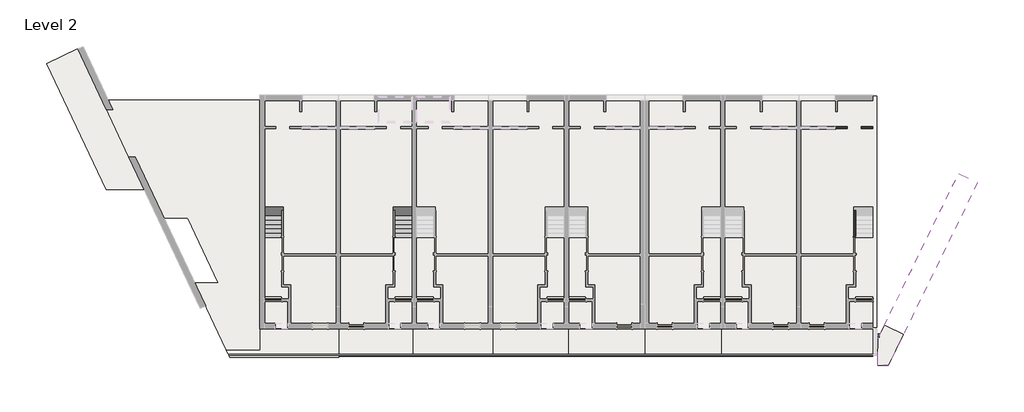
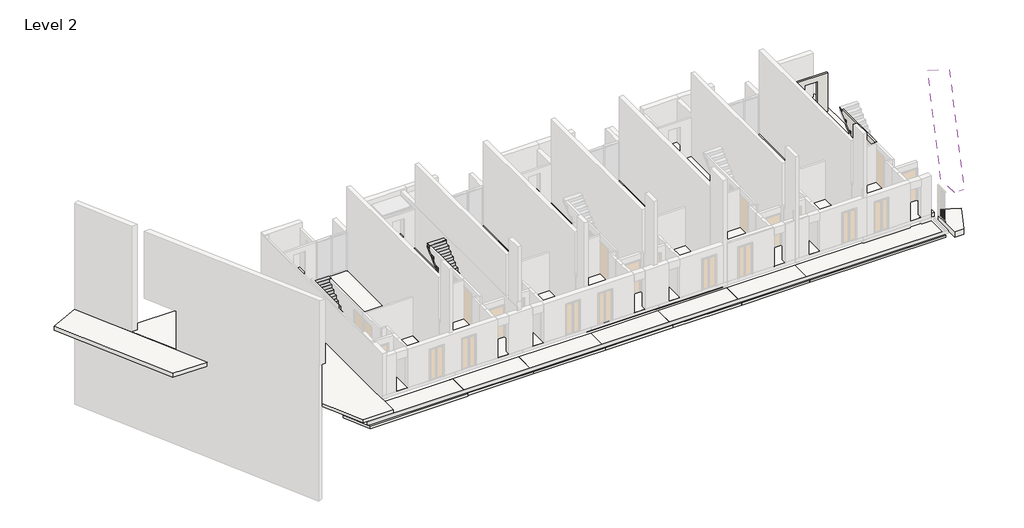
# One storey, part 5 of 7: 26 slabs, 2 stair flights, 2 walls, 1 covering.
"""IFC4 building model written with IfcOpenShell, lengths in millimetres."""

from ifc_helpers import new_model, si_unit, frame, origin, place, context, project, spatial, polyline, outline, extrude, faceted_brep, element, save

model = new_model("IFC4")

# Units and contexts
model_context = context("Model", 3, world=origin())
ifc_project = project(units=[si_unit("LENGTHUNIT", "METRE", prefix="MILLI")], contexts=[model_context])

# Site, building, storey
site = spatial("IfcSite", under=ifc_project)
building = spatial("IfcBuilding", under=site)
storey = spatial("IfcBuildingStorey", under=building, Name="Level 2", Elevation=5760.0)

# Covering
placement = place(None, origin())
element("IfcCovering", 1, ObjectType="Plain", at=placement, inside=storey, context=model_context, shape_type="SweptSolid", body=[
    extrude(outline(polyline([(14153.8795953, 2994.3275538), (15145.1452073, 2510.855011), (10456.1724165, -7102.9639151), (9913.7485729, -7102.9639151), (9913.7485729, -5699.2293704), (14153.8795953, 2994.3275538)])), frame((0.0, 0.0, 8160.0), z_axis=(0.0, 0.0, 1.0), x_axis=(1.0, 0.0, 0.0)), (0.0, 0.0, 1.0), 57.0),
])

# Slabs
element("IfcSlab", 2, at=placement, inside=storey, context=model_context, shape_type="Brep", body=[
    faceted_brep([(1853.3630729, -5112.9639151, 5530.0), (1643.3630729, -5112.9639151, 5530.0), (-2356.6369271, -5112.9639151, 5530.0), (-2356.6369271, -4901.9639151, 5530.0), (-2136.6369271, -4901.9639151, 5530.0), (-2136.6369271, 6832.0360849, 5530.0), (1643.3630729, 6832.0360849, 5530.0), (1853.3630729, 6832.0360849, 5530.0), (1853.3630729, -4037.9687773, 5530.0), (-2356.6369271, -5112.9639151, 5760.0), (-1689.4231771, -5112.9639151, 5760.0), (-899.4231771, -5112.9639151, 5760.0), (407.6913229, -5112.9639151, 5760.0), (1055.5768229, -5112.9639151, 5760.0), (1643.3630729, -5112.9639151, 5760.0), (1853.3630729, -5112.9639151, 5760.0), (1853.3630729, -4037.9687773, 5760.0), (1853.3630729, 6832.0360849, 5760.0), (1643.3630729, 6832.0360849, 5760.0), (-2136.6369271, 6832.0360849, 5760.0), (-2136.6369271, -4901.9639151, 5760.0), (-2356.6369271, -4901.9639151, 5760.0), (-2356.6369271, -5112.9639151, 5710.0)], [[[0, 1, 2, 3, 4, 5, 6, 7, 8]], [[9, 10, 11, 12, 13, 14, 15, 16, 17, 18, 19, 20, 21]], [[2, 1, 0, 15, 14, 13, 12, 11, 10, 9, 22]], [[17, 7, 6, 5, 19, 18]], [[2, 22, 9, 21, 3]], [[0, 8, 7, 17, 16, 15]], [[4, 20, 19, 5]], [[20, 4, 3, 21]]]),
])
element("IfcSlab", 3, at=placement, inside=storey, context=model_context, shape_type="Brep", body=[
    faceted_brep([(1661.1493229, -5137.9639151, 5209.32), (1661.1493229, -6639.9453535, 5209.32), (-2338.8506771, -6639.9453535, 5209.32), (-2338.8506771, -5137.9639151, 5209.32), (-2260.8659271, -5137.9639151, 5209.32), (1661.1493229, -6639.9453535, 5359.32), (1661.1493229, -5137.9639151, 5359.32), (-2338.8506771, -5137.9639151, 5359.32), (-2338.8506771, -6639.9453535, 5359.32)], [[[0, 1, 2, 3, 4]], [[5, 6, 7, 8]], [[6, 0, 4, 3, 7]], [[1, 5, 8, 2]], [[1, 0, 6, 5]], [[3, 2, 8, 7]]]),
])
element("IfcSlab", 4, at=placement, inside=storey, context=model_context, shape_type="SweptSolid", body=[
    extrude(outline(polyline([(-24348.5658167, -6295.7649151), (-26014.8223528, -2764.97272), (-24776.8414525, -2764.97272), (-26388.3472798, 649.8029008), (-27626.3281801, 649.8029008), (-29144.6094962, 3867.0360849), (-29476.3381294, 3867.0360849), (-30885.023627, 6852.0360849), (-29858.3264289, 6852.0360849), (-22605.8659271, 6852.0360849), (-22605.8659271, -6295.7649151), (-24348.5658167, -6295.7649151)])), frame((0.0, 0.0, 5390.0), z_axis=(0.0, 0.0, 1.0), x_axis=(1.0, 0.0, 0.0)), (0.0, 0.0, 1.0), 190.0),
])
element("IfcSlab", 5, at=placement, inside=storey, context=model_context, shape_type="SweptSolid", body=[
    extrude(outline(polyline([(407.6913229, -3746.9646691), (754.5768229, -3746.9646691), (754.5768229, -3494.4712147), (1639.8058229, -3494.4712147), (1639.8058229, -4901.9639151), (1055.5768229, -4901.9639151), (1055.5768229, -5191.9639151), (407.6913229, -5191.9639151), (407.6913229, -4901.9639151), (407.6913229, -3746.9646691)])), frame((0.0, 0.0, 5760.0), z_axis=(0.0, 0.0, 1.0), x_axis=(1.0, 0.0, 0.0)), (0.0, 0.0, 1.0), 5.0),
])
element("IfcSlab", 6, at=placement, inside=storey, context=model_context, shape_type="Brep", body=[
    faceted_brep([(1653.3630729, -5112.9639151, 5530.0), (1653.3630729, 6832.0360849, 5530.0), (1863.3630729, 6832.0360849, 5530.0), (5643.3630729, 6832.0360849, 5530.0), (5643.3630729, -4037.9687773, 5530.0), (5643.3630729, -5112.9639151, 5530.0), (1653.3630729, -5112.9639151, 5760.0), (1863.3630729, -5112.9639151, 5760.0), (2451.1493229, -5112.9639151, 5760.0), (3099.0348229, -5112.9639151, 5760.0), (4406.1493229, -5112.9639151, 5760.0), (5196.1493229, -5112.9639151, 5760.0), (5863.3630729, -5112.9639151, 5760.0), (5863.3630729, -4901.9639151, 5760.0), (5643.3630729, -4901.9639151, 5760.0), (5643.3630729, 6832.0360849, 5760.0), (1653.3630729, 6832.0360849, 5760.0), (5643.3630729, -5112.9639151, 5710.0), (5863.3630729, -5112.9639151, 5710.0), (5863.3630729, -4901.9639151, 5710.0), (5643.3630729, -4901.9639151, 5710.0)], [[[0, 1, 2, 3, 4, 5]], [[6, 7, 8, 9, 10, 11, 12, 13, 14, 15, 16]], [[12, 11, 10, 9, 8, 7, 6, 0, 5, 17, 18]], [[1, 16, 15, 3, 2]], [[12, 18, 19, 13]], [[1, 0, 6, 16]], [[3, 15, 14, 20, 17, 5, 4]], [[19, 20, 14, 13]], [[20, 19, 18, 17]]]),
])
element("IfcSlab", 7, at=placement, inside=storey, context=model_context, shape_type="SweptSolid", body=[
    extrude(outline(polyline([(1661.1493229, -5137.9639151), (9643.7485729, -5137.9639151), (9643.7485729, -6639.9453535), (1661.1493229, -6639.9453535), (1661.1493229, -5137.9639151)])), frame((0.0, 0.0, 5209.32), z_axis=(0.0, 0.0, 1.0), x_axis=(1.0, 0.0, 0.0)), (0.0, 0.0, 1.0), 150.0),
])
element("IfcSlab", 8, at=placement, inside=storey, context=model_context, shape_type="SweptSolid", body=[
    extrude(outline(polyline([(3099.0348229, -3746.9646691), (3099.0348229, -4901.9639151), (3099.0348229, -5191.9639151), (2451.1493229, -5191.9639151), (2451.1493229, -4901.9639151), (1866.9203229, -4901.9639151), (1866.9203229, -3494.4712147), (2752.1493229, -3494.4712147), (2752.1493229, -3746.9646691), (3099.0348229, -3746.9646691)])), frame((0.0, 0.0, 5760.0), z_axis=(0.0, 0.0, 1.0), x_axis=(1.0, 0.0, 0.0)), (0.0, 0.0, 1.0), 5.0),
])
element("IfcSlab", 9, at=placement, inside=storey, context=model_context, shape_type="Brep", body=[
    faceted_brep([(5643.3630729, -5112.9639151, 5530.0), (5643.3630729, -4901.9639151, 5530.0), (5643.3630729, 7062.0360849, 5530.0), (9853.3630729, 7062.0360849, 5530.0), (9853.3630729, -5112.9639151, 5530.0), (9643.7485729, -5112.9639151, 5530.0), (9055.5768229, -5112.9639151, 5530.0), (8407.6913229, -5112.9639151, 5530.0), (5863.3630729, -5112.9639151, 5530.0), (5643.3630729, -5112.9639151, 5760.0), (5863.3630729, -5112.9639151, 5760.0), (6310.5768229, -5112.9639151, 5760.0), (7100.5768229, -5112.9639151, 5760.0), (8407.6913229, -5112.9639151, 5760.0), (9055.5768229, -5112.9639151, 5760.0), (9643.7485729, -5112.9639151, 5760.0), (9853.3630729, -5112.9639151, 5760.0), (9853.3630729, 7062.0360849, 5760.0), (5643.3630729, 7062.0360849, 5760.0)], [[[0, 1, 2, 3, 4, 5, 6, 7, 8]], [[9, 10, 11, 12, 13, 14, 15, 16, 17, 18]], [[0, 8, 7, 6, 5, 4, 16, 15, 14, 13, 12, 11, 10, 9]], [[3, 2, 18, 17]], [[2, 1, 0, 9, 18]], [[4, 3, 17, 16]]]),
])
element("IfcSlab", 10, at=placement, inside=storey, context=model_context, shape_type="SweptSolid", body=[
    extrude(outline(polyline([(8407.6913229, -3746.9646691), (8754.5768229, -3746.9646691), (8754.5768229, -3494.4712147), (9639.8058229, -3494.4712147), (9639.8058229, -4901.9639151), (9055.5768229, -4901.9639151), (9055.5768229, -5191.9639151), (8407.6913229, -5191.9639151), (8407.6913229, -4901.9639151), (8407.6913229, -3746.9646691)])), frame((0.0, 0.0, 5760.0), z_axis=(0.0, 0.0, 1.0), x_axis=(1.0, 0.0, 0.0)), (0.0, 0.0, 1.0), 5.0),
])
element("IfcSlab", 11, at=placement, inside=storey, context=model_context, shape_type="Brep", body=[
    faceted_brep([(-6566.6369271, -5191.9639151, 5530.0), (-6566.6369271, -4901.9639151, 5530.0), (-6566.6369271, -4037.9687773, 5530.0), (-6566.6369271, 6832.0360849, 5530.0), (-6356.6369271, 6832.0360849, 5530.0), (-2576.6369271, 6832.0360849, 5530.0), (-2576.6369271, -3891.9639151, 5530.0), (-2576.6369271, -5191.9639151, 5530.0), (-6566.6369271, 6832.0360849, 5760.0), (-6566.6369271, -4037.9687773, 5760.0), (-6566.6369271, -4901.9639151, 5760.0), (-6566.6369271, -5191.9639151, 5760.0), (-5768.8506771, -5191.9639151, 5760.0), (-5120.9651771, -5191.9639151, 5760.0), (-3813.8506771, -5191.9639151, 5760.0), (-3023.8506771, -5191.9639151, 5760.0), (-2576.6369271, -5191.9639151, 5760.0), (-2576.6369271, -4901.9639151, 5760.0), (-2576.6369271, 6832.0360849, 5760.0), (-6356.6369271, 6832.0360849, 5760.0), (-6566.6369271, -5191.9639151, 5710.0)], [[[0, 1, 2, 3, 4, 5, 6, 7]], [[8, 9, 10, 11, 12, 13, 14, 15, 16, 17, 18, 19]], [[11, 20, 0, 7, 16, 15, 14, 13, 12]], [[3, 8, 19, 18, 5, 4]], [[3, 2, 1, 0, 20, 11, 10, 9, 8]], [[5, 18, 17, 16, 7, 6]]]),
])
element("IfcSlab", 12, at=placement, inside=storey, context=model_context, shape_type="SweptSolid", body=[
    extrude(outline(polyline([(-2338.8506771, -5137.9639151), (-2338.8506771, -6639.9453535), (-6378.6521771, -6639.9453535), (-6378.6521771, -5137.9639151), (-2338.8506771, -5137.9639151)])), frame((0.0, 0.0, 5209.32), z_axis=(0.0, 0.0, 1.0), x_axis=(1.0, 0.0, 0.0)), (0.0, 0.0, 1.0), 150.0),
])
element("IfcSlab", 13, at=placement, inside=storey, context=model_context, shape_type="SweptSolid", body=[
    extrude(outline(polyline([(-5120.9651771, -3746.9646691), (-5120.9651771, -4901.9639151), (-5120.9651771, -5191.9639151), (-5768.8506771, -5191.9639151), (-5768.8506771, -4901.9639151), (-6353.0796771, -4901.9639151), (-6353.0796771, -3494.4712147), (-5467.8506771, -3494.4712147), (-5467.8506771, -3746.9646691), (-5120.9651771, -3746.9646691)])), frame((0.0, 0.0, 5760.0), z_axis=(0.0, 0.0, 1.0), x_axis=(1.0, 0.0, 0.0)), (0.0, 0.0, 1.0), 5.0),
])
element("IfcSlab", 14, at=placement, inside=storey, context=model_context, shape_type="Brep", body=[
    faceted_brep([(-6370.8659271, -5191.9639151, 5530.0), (-10580.8659271, -5191.9639151, 5530.0), (-10580.8659271, 6832.0360849, 5530.0), (-10566.6369271, 6832.0360849, 5530.0), (-10566.6369271, -4037.9687773, 5530.0), (-10566.6369271, -4901.9639151, 5530.0), (-10346.6369271, -4901.9639151, 5530.0), (-10346.6369271, -4037.9687773, 5530.0), (-10346.6369271, 6832.0360849, 5530.0), (-6370.8659271, 6832.0360849, 5530.0), (-10580.8659271, -5191.9639151, 5760.0), (-6566.6369271, -5191.9639151, 5760.0), (-6370.8659271, -5191.9639151, 5760.0), (-6370.8659271, 6832.0360849, 5760.0), (-10346.6369271, 6832.0360849, 5760.0), (-10346.6369271, -4901.9639151, 5760.0), (-10566.6369271, -4901.9639151, 5760.0), (-10566.6369271, 6832.0360849, 5760.0), (-10580.8659271, 6832.0360849, 5760.0)], [[[0, 1, 2, 3, 4, 5, 6, 7, 8, 9]], [[10, 11, 12, 13, 14, 15, 16, 17, 18]], [[1, 0, 12, 11, 10]], [[2, 18, 17, 3]], [[13, 9, 8, 14]], [[2, 1, 10, 18]], [[0, 9, 13, 12]], [[6, 15, 14, 8, 7]], [[3, 17, 16, 5, 4]], [[15, 6, 5, 16]]]),
])
element("IfcSlab", 15, at=placement, inside=storey, context=model_context, shape_type="SweptSolid", body=[
    extrude(outline(polyline([(-6378.6521771, -5137.9639151), (-6378.6521771, -6639.9453535), (-10338.8506771, -6639.9453535), (-10338.8506771, -5137.9639151), (-6378.6521771, -5137.9639151)])), frame((0.0, 0.0, 5209.32), z_axis=(0.0, 0.0, 1.0), x_axis=(1.0, 0.0, 0.0)), (0.0, 0.0, 1.0), 150.0),
])
element("IfcSlab", 16, at=placement, inside=storey, context=model_context, shape_type="SweptSolid", body=[
    extrude(outline(polyline([(-7816.5376771, -3746.9646691), (-7469.6521771, -3746.9646691), (-7469.6521771, -3494.4712147), (-6584.4231771, -3494.4712147), (-6584.4231771, -4901.9639151), (-7168.6521771, -4901.9639151), (-7168.6521771, -5191.9639151), (-7816.5376771, -5191.9639151), (-7816.5376771, -4901.9639151), (-7816.5376771, -3746.9646691)])), frame((0.0, 0.0, 5760.0), z_axis=(0.0, 0.0, 1.0), x_axis=(1.0, 0.0, 0.0)), (0.0, 0.0, 1.0), 5.0),
])
element("IfcSlab", 17, at=placement, inside=storey, context=model_context, shape_type="SweptSolid", body=[
    extrude(outline(polyline([(-10356.6369271, -5112.9639151), (-14566.6369271, -5112.9639151), (-14566.6369271, 7062.0360849), (-10356.6369271, 7062.0360849), (-10356.6369271, -5112.9639151)])), frame((0.0, 0.0, 5530.0), z_axis=(0.0, 0.0, 1.0), x_axis=(1.0, 0.0, 0.0)), (0.0, 0.0, 1.0), 230.0),
])
element("IfcSlab", 18, at=placement, inside=storey, context=model_context, shape_type="SweptSolid", body=[
    extrude(outline(polyline([(-10338.8506771, -5137.9639151), (-10338.8506771, -6639.9453535), (-14558.8506771, -6639.9453535), (-14558.8506771, -5137.9639151), (-10338.8506771, -5137.9639151)])), frame((0.0, 0.0, 5209.32), z_axis=(0.0, 0.0, 1.0), x_axis=(1.0, 0.0, 0.0)), (0.0, 0.0, 1.0), 150.0),
])
element("IfcSlab", 19, at=placement, inside=storey, context=model_context, shape_type="SweptSolid", body=[
    extrude(outline(polyline([(-13120.9651771, -3746.9646691), (-13120.9651771, -4901.9639151), (-13120.9651771, -5191.9639151), (-13768.8506771, -5191.9639151), (-13768.8506771, -4901.9639151), (-14353.0796771, -4901.9639151), (-14353.0796771, -3494.4712147), (-13467.8506771, -3494.4712147), (-13467.8506771, -3746.9646691), (-13120.9651771, -3746.9646691)])), frame((0.0, 0.0, 5760.0), z_axis=(0.0, 0.0, 1.0), x_axis=(1.0, 0.0, 0.0)), (0.0, 0.0, 1.0), 5.0),
])
element("IfcSlab", 20, at=placement, inside=storey, context=model_context, shape_type="Brep", body=[
    faceted_brep([(-18580.8659271, -5112.9639151, 5530.0), (-18580.8659271, 7062.0360849, 5530.0), (-14370.8659271, 7062.0360849, 5530.0), (-14370.8659271, -5112.9639151, 5530.0), (-18580.8659271, -5112.9639151, 5760.0), (-17913.6521771, -5112.9639151, 5760.0), (-17123.6521771, -5112.9639151, 5760.0), (-15816.5376771, -5112.9639151, 5760.0), (-14370.8659271, -5112.9639151, 5760.0), (-14370.8659271, 7062.0360849, 5760.0), (-18580.8659271, 7062.0360849, 5760.0), (-18580.8659271, -4901.9639151, 5760.0), (-18580.8659271, -5112.9639151, 5710.0)], [[[0, 1, 2, 3]], [[4, 5, 6, 7, 8, 9, 10, 11]], [[0, 3, 8, 7, 6, 5, 4, 12]], [[2, 1, 10, 9]], [[1, 0, 12, 4, 11, 10]], [[3, 2, 9, 8]]]),
])
element("IfcSlab", 21, at=placement, inside=storey, context=model_context, shape_type="SweptSolid", body=[
    extrude(outline(polyline([(-18598.6521771, -5137.9639151), (-14558.8506771, -5137.9639151), (-14558.8506771, -6639.9453535), (-18442.1339701, -6639.9453535), (-18442.1339701, -5152.9639151), (-18598.6521771, -5152.9639151), (-18598.6521771, -5137.9639151)])), frame((0.0, 0.0, 5209.32), z_axis=(0.0, 0.0, 1.0), x_axis=(1.0, 0.0, 0.0)), (0.0, 0.0, 1.0), 150.0),
])
element("IfcSlab", 22, at=placement, inside=storey, context=model_context, shape_type="SweptSolid", body=[
    extrude(outline(polyline([(-15816.5376771, -3746.9646691), (-15469.6521771, -3746.9646691), (-15469.6521771, -3494.4712147), (-14584.4231771, -3494.4712147), (-14584.4231771, -4901.9639151), (-15168.6521771, -4901.9639151), (-15168.6521771, -5191.9639151), (-15816.5376771, -5191.9639151), (-15816.5376771, -4901.9639151), (-15816.5376771, -3746.9646691)])), frame((0.0, 0.0, 5760.0), z_axis=(0.0, 0.0, 1.0), x_axis=(1.0, 0.0, 0.0)), (0.0, 0.0, 1.0), 5.0),
])
element("IfcSlab", 23, at=placement, inside=storey, context=model_context, shape_type="Brep", body=[
    faceted_brep([(-18356.6369271, -5112.9639151, 5530.0), (-22566.6369271, -5112.9639151, 5530.0), (-22566.6369271, 7062.0360849, 5530.0), (-18356.6369271, 7062.0360849, 5530.0), (-18356.6369271, -5112.9639151, 5760.0), (-18356.6369271, 7062.0360849, 5760.0), (-22566.6369271, 7062.0360849, 5760.0), (-22566.6369271, -5112.9639151, 5760.0), (-22335.8659271, -5112.9639151, 5760.0), (-21768.8506771, -5112.9639151, 5760.0), (-18580.8659271, -5112.9639151, 5760.0)], [[[0, 1, 2, 3]], [[4, 5, 6, 7, 8, 9, 10]], [[1, 0, 4, 10, 9, 8, 7]], [[3, 2, 6, 5]], [[0, 3, 5, 4]], [[2, 1, 7, 6]]]),
])
element("IfcSlab", 24, at=placement, inside=storey, context=model_context, shape_type="Brep", body=[
    faceted_brep([(-18442.1339701, -5152.9639151, 5209.32), (-18442.1339701, -6639.9453535, 5209.32), (-18442.1339701, -6688.6869538, 5209.32), (-24161.4949039, -6688.6869538, 5209.32), (-24886.2355314, -5152.9639151, 5209.32), (-18598.6521771, -5152.9639151, 5209.32), (-18442.1339701, -5152.9639151, 5359.32), (-18598.6521771, -5152.9639151, 5359.32), (-24886.2355314, -5152.9639151, 5359.32), (-24161.4949039, -6688.6869538, 5359.32), (-18442.1339701, -6688.6869538, 5359.32), (-18442.1339701, -6639.9453535, 5359.32)], [[[0, 1, 2, 3, 4, 5]], [[6, 7, 8, 9, 10, 11]], [[0, 5, 4, 8, 7, 6]], [[3, 2, 10, 9]], [[4, 3, 9, 8]], [[2, 1, 0, 6, 11, 10]]]),
])
element("IfcSlab", 25, at=placement, inside=storey, context=model_context, shape_type="SweptSolid", body=[
    extrude(outline(polyline([(-21120.9651771, -3746.9646691), (-21120.9651771, -4901.9639151), (-21120.9651771, -5191.9639151), (-21768.8506771, -5191.9639151), (-21768.8506771, -4901.9639151), (-22353.0796771, -4901.9639151), (-22353.0796771, -3494.4712147), (-21467.8506771, -3494.4712147), (-21467.8506771, -3746.9646691), (-21120.9651771, -3746.9646691)])), frame((0.0, 0.0, 5760.0), z_axis=(0.0, 0.0, 1.0), x_axis=(1.0, 0.0, 0.0)), (0.0, 0.0, 1.0), 5.0),
])
element("IfcSlab", 26, at=placement, inside=storey, context=model_context, shape_type="SweptSolid", body=[
    extrude(outline(polyline([(-30675.3960155, 2141.2246064), (-33806.7785649, 8776.6140713), (-32160.0221153, 9553.7537458), (-28661.8906918, 2141.2246064), (-30675.3960155, 2141.2246064)])), frame((0.0, 0.0, 5310.0), z_axis=(0.0, 0.0, 1.0), x_axis=(1.0, 0.0, 0.0)), (0.0, 0.0, 1.0), 250.0),
])
element("IfcSlab", 27, at=placement, inside=storey, context=model_context, shape_type="SweptSolid", body=[
    extrude(outline(polyline([(10258.0200744, -4993.3681881), (11249.2856864, -5476.840731), (10456.1724165, -7102.9639151), (9913.7485729, -7102.9639151), (9913.7485729, -5448.4465105), (10036.0635463, -5448.4465105), (10258.0200744, -4993.3681881)])), frame((0.0, 0.0, 5410.0), z_axis=(0.0, 0.0, 1.0), x_axis=(1.0, 0.0, 0.0)), (0.0, 0.0, 1.0), 350.0),
])

# Stair flights
element("IfcStairFlight", 28, ObjectType="1mm_Tread-150mm_Depth", at=placement, inside=storey, context=model_context, shape_type="SolidModel", body=[
    faceted_brep([(-15579.5224271, -125.4639151, 5961.3076923), (-15579.5224271, -355.4639151, 5961.3076923), (-14579.5224271, -355.4639151, 5961.3076923), (-14579.5224271, -125.4639151, 5961.3076923), (-15579.5224271, -125.4639151, 5761.5375478), (-15579.5224271, -127.2119257, 5760.0), (-15579.5224271, -355.4639151, 5760.0), (-14579.5224271, -355.4639151, 5760.0), (-14579.5224271, -127.2119257, 5760.0), (-14579.5224271, -125.4639151, 5761.5375478), (-15579.5224271, 104.5360849, 6163.6153846), (-15579.5224271, -125.4639151, 6163.6153846), (-14579.5224271, -125.4639151, 6163.6153846), (-14579.5224271, 104.5360849, 6163.6153846), (-15579.5224271, 104.5360849, 5963.8452401), (-14579.5224271, 104.5360849, 5963.8452401), (-15579.5224271, 334.5360849, 6365.9230769), (-15579.5224271, 104.5360849, 6365.9230769), (-14579.5224271, 104.5360849, 6365.9230769), (-14579.5224271, 334.5360849, 6365.9230769), (-15579.5224271, 334.5360849, 6166.1529324), (-14579.5224271, 334.5360849, 6166.1529324), (-15579.5224271, 564.5360849, 6568.2307692), (-15579.5224271, 334.5360849, 6568.2307692), (-14579.5224271, 334.5360849, 6568.2307692), (-14579.5224271, 564.5360849, 6568.2307692), (-15579.5224271, 564.5360849, 6368.4606247), (-14579.5224271, 564.5360849, 6368.4606247), (-15579.5224271, 794.5360849, 6770.5384615), (-15579.5224271, 564.5360849, 6770.5384615), (-14579.5224271, 564.5360849, 6770.5384615), (-14579.5224271, 794.5360849, 6770.5384615), (-15579.5224271, 794.5360849, 6570.768317), (-14579.5224271, 794.5360849, 6570.768317), (-15579.5224271, 1024.5360849, 6972.8461538), (-15579.5224271, 794.5360849, 6972.8461538), (-14579.5224271, 794.5360849, 6972.8461538), (-14579.5224271, 1024.5360849, 6972.8461538), (-15579.5224271, 1024.5360849, 6773.0760093), (-14579.5224271, 1024.5360849, 6773.0760093), (-15579.5224271, 1254.5360849, 7175.1538462), (-15579.5224271, 1024.5360849, 7175.1538462), (-14579.5224271, 1024.5360849, 7175.1538462), (-14579.5224271, 1254.5360849, 7175.1538462), (-15579.5224271, 1254.5360849, 6975.3837016), (-14579.5224271, 1254.5360849, 6975.3837016), (-15579.5224271, 1484.5360849, 7377.4615385), (-15579.5224271, 1254.5360849, 7377.4615385), (-14579.5224271, 1254.5360849, 7377.4615385), (-14579.5224271, 1484.5360849, 7377.4615385), (-15579.5224271, 1484.5360849, 7177.6913939), (-14579.5224271, 1484.5360849, 7177.6913939), (-15579.5224271, 1714.5360849, 7579.7692308), (-15579.5224271, 1484.5360849, 7579.7692308), (-14579.5224271, 1484.5360849, 7579.7692308), (-14579.5224271, 1714.5360849, 7579.7692308), (-15579.5224271, 1714.5360849, 7379.9990862), (-14579.5224271, 1714.5360849, 7379.9990862), (-15579.5224271, 1944.5360849, 7782.0769231), (-15579.5224271, 1714.5360849, 7782.0769231), (-14579.5224271, 1714.5360849, 7782.0769231), (-14579.5224271, 1944.5360849, 7782.0769231), (-15579.5224271, 1944.5360849, 7582.3067785), (-14579.5224271, 1944.5360849, 7582.3067785), (-15579.5224271, 2174.5360849, 7984.3846154), (-15579.5224271, 1944.5360849, 7984.3846154), (-14579.5224271, 1944.5360849, 7984.3846154), (-14579.5224271, 2174.5360849, 7984.3846154), (-15579.5224271, 2174.5360849, 7784.6144708), (-14579.5224271, 2174.5360849, 7784.6144708), (-15579.5224271, 2392.0360849, 7975.9271799), (-14579.5224271, 2392.0360849, 7975.9271799), (-15579.5224271, 2392.0360849, 8186.6923077), (-15579.5224271, 2174.5360849, 8186.6923077), (-14579.5224271, 2174.5360849, 8186.6923077), (-14579.5224271, 2392.0360849, 8186.6923077)], [[[0, 1, 2, 3]], [[1, 0, 4, 5, 6]], [[2, 1, 6, 7]], [[3, 2, 7, 8, 9]], [[10, 11, 12, 13]], [[11, 10, 14, 4, 0]], [[0, 3, 12, 11]], [[13, 12, 3, 9, 15]], [[16, 17, 18, 19]], [[17, 16, 20, 14, 10]], [[10, 13, 18, 17]], [[19, 18, 13, 15, 21]], [[22, 23, 24, 25]], [[23, 22, 26, 20, 16]], [[16, 19, 24, 23]], [[25, 24, 19, 21, 27]], [[28, 29, 30, 31]], [[29, 28, 32, 26, 22]], [[22, 25, 30, 29]], [[31, 30, 25, 27, 33]], [[34, 35, 36, 37]], [[35, 34, 38, 32, 28]], [[28, 31, 36, 35]], [[37, 36, 31, 33, 39]], [[40, 41, 42, 43]], [[41, 40, 44, 38, 34]], [[34, 37, 42, 41]], [[43, 42, 37, 39, 45]], [[46, 47, 48, 49]], [[47, 46, 50, 44, 40]], [[40, 43, 48, 47]], [[49, 48, 43, 45, 51]], [[52, 53, 54, 55]], [[53, 52, 56, 50, 46]], [[46, 49, 54, 53]], [[55, 54, 49, 51, 57]], [[58, 59, 60, 61]], [[59, 58, 62, 56, 52]], [[52, 55, 60, 59]], [[61, 60, 55, 57, 63]], [[64, 65, 66, 67]], [[65, 64, 68, 62, 58]], [[58, 61, 66, 65]], [[67, 66, 61, 63, 69]], [[7, 6, 5, 8]], [[8, 5, 4, 14, 20, 26, 32, 38, 44, 50, 56, 62, 68, 70, 71, 69, 63, 57, 51, 45, 39, 33, 27, 21, 15, 9]], [[72, 73, 74, 75]], [[73, 72, 70, 68, 64]], [[64, 67, 74, 73]], [[75, 74, 67, 69, 71]], [[72, 75, 71, 70]]]),
    extrude(outline(polyline([(-15579.5224271, -137.9639151), (-14579.5224271, -137.9639151), (-14579.5224271, -367.9639151), (-15579.5224271, -367.9639151), (-15579.5224271, -137.9639151)])), frame((0.0, 0.0, 5961.3076923), z_axis=(0.0, 0.0, 1.0), x_axis=(1.0, 0.0, 0.0)), (0.0, 0.0, 1.0), 1.0),
    extrude(outline(polyline([(-15579.5224271, 92.0360849), (-14579.5224271, 92.0360849), (-14579.5224271, -137.9639151), (-15579.5224271, -137.9639151), (-15579.5224271, 92.0360849)])), frame((0.0, 0.0, 6163.6153846), z_axis=(0.0, 0.0, 1.0), x_axis=(1.0, 0.0, 0.0)), (0.0, 0.0, 1.0), 1.0),
    extrude(outline(polyline([(-15579.5224271, 322.0360849), (-14579.5224271, 322.0360849), (-14579.5224271, 92.0360849), (-15579.5224271, 92.0360849), (-15579.5224271, 322.0360849)])), frame((0.0, 0.0, 6365.9230769), z_axis=(0.0, 0.0, 1.0), x_axis=(1.0, 0.0, 0.0)), (0.0, 0.0, 1.0), 1.0),
    extrude(outline(polyline([(-15579.5224271, 552.0360849), (-14579.5224271, 552.0360849), (-14579.5224271, 322.0360849), (-15579.5224271, 322.0360849), (-15579.5224271, 552.0360849)])), frame((0.0, 0.0, 6568.2307692), z_axis=(0.0, 0.0, 1.0), x_axis=(1.0, 0.0, 0.0)), (0.0, 0.0, 1.0), 1.0),
    extrude(outline(polyline([(-15579.5224271, 782.0360849), (-14579.5224271, 782.0360849), (-14579.5224271, 552.0360849), (-15579.5224271, 552.0360849), (-15579.5224271, 782.0360849)])), frame((0.0, 0.0, 6770.5384615), z_axis=(0.0, 0.0, 1.0), x_axis=(1.0, 0.0, 0.0)), (0.0, 0.0, 1.0), 1.0),
    extrude(outline(polyline([(-15579.5224271, 1012.0360849), (-14579.5224271, 1012.0360849), (-14579.5224271, 782.0360849), (-15579.5224271, 782.0360849), (-15579.5224271, 1012.0360849)])), frame((0.0, 0.0, 6972.8461538), z_axis=(0.0, 0.0, 1.0), x_axis=(1.0, 0.0, 0.0)), (0.0, 0.0, 1.0), 1.0),
    extrude(outline(polyline([(-15579.5224271, 1242.0360849), (-14579.5224271, 1242.0360849), (-14579.5224271, 1012.0360849), (-15579.5224271, 1012.0360849), (-15579.5224271, 1242.0360849)])), frame((0.0, 0.0, 7175.1538462), z_axis=(0.0, 0.0, 1.0), x_axis=(1.0, 0.0, 0.0)), (0.0, 0.0, 1.0), 1.0),
    extrude(outline(polyline([(-15579.5224271, 1472.0360849), (-14579.5224271, 1472.0360849), (-14579.5224271, 1242.0360849), (-15579.5224271, 1242.0360849), (-15579.5224271, 1472.0360849)])), frame((0.0, 0.0, 7377.4615385), z_axis=(0.0, 0.0, 1.0), x_axis=(1.0, 0.0, 0.0)), (0.0, 0.0, 1.0), 1.0),
    extrude(outline(polyline([(-15579.5224271, 1702.0360849), (-14579.5224271, 1702.0360849), (-14579.5224271, 1472.0360849), (-15579.5224271, 1472.0360849), (-15579.5224271, 1702.0360849)])), frame((0.0, 0.0, 7579.7692308), z_axis=(0.0, 0.0, 1.0), x_axis=(1.0, 0.0, 0.0)), (0.0, 0.0, 1.0), 1.0),
    extrude(outline(polyline([(-15579.5224271, 1932.0360849), (-14579.5224271, 1932.0360849), (-14579.5224271, 1702.0360849), (-15579.5224271, 1702.0360849), (-15579.5224271, 1932.0360849)])), frame((0.0, 0.0, 7782.0769231), z_axis=(0.0, 0.0, 1.0), x_axis=(1.0, 0.0, 0.0)), (0.0, 0.0, 1.0), 1.0),
    extrude(outline(polyline([(-15579.5224271, 2162.0360849), (-14579.5224271, 2162.0360849), (-14579.5224271, 1932.0360849), (-15579.5224271, 1932.0360849), (-15579.5224271, 2162.0360849)])), frame((0.0, 0.0, 7984.3846154), z_axis=(0.0, 0.0, 1.0), x_axis=(1.0, 0.0, 0.0)), (0.0, 0.0, 1.0), 1.0),
    extrude(outline(polyline([(-15579.5224271, 2392.0360849), (-14579.5224271, 2392.0360849), (-14579.5224271, 2162.0360849), (-15579.5224271, 2162.0360849), (-15579.5224271, 2392.0360849)])), frame((0.0, 0.0, 8186.6923077), z_axis=(0.0, 0.0, 1.0), x_axis=(1.0, 0.0, 0.0)), (0.0, 0.0, 1.0), 1.0),
    extrude(outline(polyline([(-14579.5224271, -355.4639151), (-14579.5224271, -367.9639151), (-15579.5224271, -367.9639151), (-15579.5224271, -355.4639151), (-14579.5224271, -355.4639151)])), frame((0.0, 0.0, 5760.0), z_axis=(0.0, 0.0, 1.0), x_axis=(1.0, 0.0, 0.0)), (0.0, 0.0, 1.0), 201.3076923),
    extrude(outline(polyline([(-14579.5224271, -125.4639151), (-14579.5224271, -137.9639151), (-15579.5224271, -137.9639151), (-15579.5224271, -125.4639151), (-14579.5224271, -125.4639151)])), frame((0.0, 0.0, 5961.3076923), z_axis=(0.0, 0.0, 1.0), x_axis=(1.0, 0.0, 0.0)), (0.0, 0.0, 1.0), 202.3076923),
    extrude(outline(polyline([(-14579.5224271, 104.5360849), (-14579.5224271, 92.0360849), (-15579.5224271, 92.0360849), (-15579.5224271, 104.5360849), (-14579.5224271, 104.5360849)])), frame((0.0, 0.0, 6163.6153846), z_axis=(0.0, 0.0, 1.0), x_axis=(1.0, 0.0, 0.0)), (0.0, 0.0, 1.0), 202.3076923),
    extrude(outline(polyline([(-14579.5224271, 334.5360849), (-14579.5224271, 322.0360849), (-15579.5224271, 322.0360849), (-15579.5224271, 334.5360849), (-14579.5224271, 334.5360849)])), frame((0.0, 0.0, 6365.9230769), z_axis=(0.0, 0.0, 1.0), x_axis=(1.0, 0.0, 0.0)), (0.0, 0.0, 1.0), 202.3076923),
    extrude(outline(polyline([(-14579.5224271, 564.5360849), (-14579.5224271, 552.0360849), (-15579.5224271, 552.0360849), (-15579.5224271, 564.5360849), (-14579.5224271, 564.5360849)])), frame((0.0, 0.0, 6568.2307692), z_axis=(0.0, 0.0, 1.0), x_axis=(1.0, 0.0, 0.0)), (0.0, 0.0, 1.0), 202.3076923),
    extrude(outline(polyline([(-14579.5224271, 794.5360849), (-14579.5224271, 782.0360849), (-15579.5224271, 782.0360849), (-15579.5224271, 794.5360849), (-14579.5224271, 794.5360849)])), frame((0.0, 0.0, 6770.5384615), z_axis=(0.0, 0.0, 1.0), x_axis=(1.0, 0.0, 0.0)), (0.0, 0.0, 1.0), 202.3076923),
    extrude(outline(polyline([(-14579.5224271, 1024.5360849), (-14579.5224271, 1012.0360849), (-15579.5224271, 1012.0360849), (-15579.5224271, 1024.5360849), (-14579.5224271, 1024.5360849)])), frame((0.0, 0.0, 6972.8461538), z_axis=(0.0, 0.0, 1.0), x_axis=(1.0, 0.0, 0.0)), (0.0, 0.0, 1.0), 202.3076923),
    extrude(outline(polyline([(-14579.5224271, 1254.5360849), (-14579.5224271, 1242.0360849), (-15579.5224271, 1242.0360849), (-15579.5224271, 1254.5360849), (-14579.5224271, 1254.5360849)])), frame((0.0, 0.0, 7175.1538462), z_axis=(0.0, 0.0, 1.0), x_axis=(1.0, 0.0, 0.0)), (0.0, 0.0, 1.0), 202.3076923),
    extrude(outline(polyline([(-14579.5224271, 1484.5360849), (-14579.5224271, 1472.0360849), (-15579.5224271, 1472.0360849), (-15579.5224271, 1484.5360849), (-14579.5224271, 1484.5360849)])), frame((0.0, 0.0, 7377.4615385), z_axis=(0.0, 0.0, 1.0), x_axis=(1.0, 0.0, 0.0)), (0.0, 0.0, 1.0), 202.3076923),
    extrude(outline(polyline([(-14579.5224271, 1714.5360849), (-14579.5224271, 1702.0360849), (-15579.5224271, 1702.0360849), (-15579.5224271, 1714.5360849), (-14579.5224271, 1714.5360849)])), frame((0.0, 0.0, 7579.7692308), z_axis=(0.0, 0.0, 1.0), x_axis=(1.0, 0.0, 0.0)), (0.0, 0.0, 1.0), 202.3076923),
    extrude(outline(polyline([(-14579.5224271, 1944.5360849), (-14579.5224271, 1932.0360849), (-15579.5224271, 1932.0360849), (-15579.5224271, 1944.5360849), (-14579.5224271, 1944.5360849)])), frame((0.0, 0.0, 7782.0769231), z_axis=(0.0, 0.0, 1.0), x_axis=(1.0, 0.0, 0.0)), (0.0, 0.0, 1.0), 202.3076923),
    extrude(outline(polyline([(-14579.5224271, 2174.5360849), (-14579.5224271, 2162.0360849), (-15579.5224271, 2162.0360849), (-15579.5224271, 2174.5360849), (-14579.5224271, 2174.5360849)])), frame((0.0, 0.0, 7984.3846154), z_axis=(0.0, 0.0, 1.0), x_axis=(1.0, 0.0, 0.0)), (0.0, 0.0, 1.0), 202.3076923),
])
element("IfcStairFlight", 29, ObjectType="1mm_Tread-150mm_Depth", at=placement, inside=storey, context=model_context, shape_type="SolidModel", body=[
    faceted_brep([(-22353.7514271, -125.4639151, 5961.3076923), (-22353.7514271, -355.4639151, 5961.3076923), (-21353.7514271, -355.4639151, 5961.3076923), (-21353.7514271, -125.4639151, 5961.3076923), (-21353.7514271, -355.4639151, 5760.0), (-21353.7514271, -127.2119257, 5760.0), (-21353.7514271, -125.4639151, 5761.5375478), (-22353.7514271, -355.4639151, 5760.0), (-22353.7514271, -125.4639151, 5761.5375478), (-22353.7514271, -127.2119257, 5760.0), (-22353.7514271, 104.5360849, 6163.6153846), (-22353.7514271, -125.4639151, 6163.6153846), (-21353.7514271, -125.4639151, 6163.6153846), (-21353.7514271, 104.5360849, 6163.6153846), (-21353.7514271, 104.5360849, 5963.8452401), (-22353.7514271, 104.5360849, 5963.8452401), (-22353.7514271, 334.5360849, 6365.9230769), (-22353.7514271, 104.5360849, 6365.9230769), (-21353.7514271, 104.5360849, 6365.9230769), (-21353.7514271, 334.5360849, 6365.9230769), (-21353.7514271, 334.5360849, 6166.1529324), (-22353.7514271, 334.5360849, 6166.1529324), (-22353.7514271, 564.5360849, 6568.2307692), (-22353.7514271, 334.5360849, 6568.2307692), (-21353.7514271, 334.5360849, 6568.2307692), (-21353.7514271, 564.5360849, 6568.2307692), (-21353.7514271, 564.5360849, 6368.4606247), (-22353.7514271, 564.5360849, 6368.4606247), (-22353.7514271, 794.5360849, 6770.5384615), (-22353.7514271, 564.5360849, 6770.5384615), (-21353.7514271, 564.5360849, 6770.5384615), (-21353.7514271, 794.5360849, 6770.5384615), (-21353.7514271, 794.5360849, 6570.768317), (-22353.7514271, 794.5360849, 6570.768317), (-22353.7514271, 1024.5360849, 6972.8461538), (-22353.7514271, 794.5360849, 6972.8461538), (-21353.7514271, 794.5360849, 6972.8461538), (-21353.7514271, 1024.5360849, 6972.8461538), (-21353.7514271, 1024.5360849, 6773.0760093), (-22353.7514271, 1024.5360849, 6773.0760093), (-22353.7514271, 1254.5360849, 7175.1538462), (-22353.7514271, 1024.5360849, 7175.1538462), (-21353.7514271, 1024.5360849, 7175.1538462), (-21353.7514271, 1254.5360849, 7175.1538462), (-21353.7514271, 1254.5360849, 6975.3837016), (-22353.7514271, 1254.5360849, 6975.3837016), (-22353.7514271, 1484.5360849, 7377.4615385), (-22353.7514271, 1254.5360849, 7377.4615385), (-21353.7514271, 1254.5360849, 7377.4615385), (-21353.7514271, 1484.5360849, 7377.4615385), (-21353.7514271, 1484.5360849, 7177.6913939), (-22353.7514271, 1484.5360849, 7177.6913939), (-22353.7514271, 1714.5360849, 7579.7692308), (-22353.7514271, 1484.5360849, 7579.7692308), (-21353.7514271, 1484.5360849, 7579.7692308), (-21353.7514271, 1714.5360849, 7579.7692308), (-21353.7514271, 1714.5360849, 7379.9990862), (-22353.7514271, 1714.5360849, 7379.9990862), (-22353.7514271, 1944.5360849, 7782.0769231), (-22353.7514271, 1714.5360849, 7782.0769231), (-21353.7514271, 1714.5360849, 7782.0769231), (-21353.7514271, 1944.5360849, 7782.0769231), (-21353.7514271, 1944.5360849, 7582.3067785), (-22353.7514271, 1944.5360849, 7582.3067785), (-22353.7514271, 2174.5360849, 7984.3846154), (-22353.7514271, 1944.5360849, 7984.3846154), (-21353.7514271, 1944.5360849, 7984.3846154), (-21353.7514271, 2174.5360849, 7984.3846154), (-21353.7514271, 2174.5360849, 7784.6144708), (-22353.7514271, 2174.5360849, 7784.6144708), (-22353.7514271, 2392.0360849, 7975.9271799), (-21353.7514271, 2392.0360849, 7975.9271799), (-22353.7514271, 2392.0360849, 8186.6923077), (-22353.7514271, 2174.5360849, 8186.6923077), (-21353.7514271, 2174.5360849, 8186.6923077), (-21353.7514271, 2392.0360849, 8186.6923077)], [[[0, 1, 2, 3]], [[3, 2, 4, 5, 6]], [[2, 1, 7, 4]], [[1, 0, 8, 9, 7]], [[10, 11, 12, 13]], [[13, 12, 3, 6, 14]], [[0, 3, 12, 11]], [[11, 10, 15, 8, 0]], [[16, 17, 18, 19]], [[19, 18, 13, 14, 20]], [[10, 13, 18, 17]], [[17, 16, 21, 15, 10]], [[22, 23, 24, 25]], [[25, 24, 19, 20, 26]], [[16, 19, 24, 23]], [[23, 22, 27, 21, 16]], [[28, 29, 30, 31]], [[31, 30, 25, 26, 32]], [[22, 25, 30, 29]], [[29, 28, 33, 27, 22]], [[34, 35, 36, 37]], [[37, 36, 31, 32, 38]], [[28, 31, 36, 35]], [[35, 34, 39, 33, 28]], [[40, 41, 42, 43]], [[43, 42, 37, 38, 44]], [[34, 37, 42, 41]], [[41, 40, 45, 39, 34]], [[46, 47, 48, 49]], [[49, 48, 43, 44, 50]], [[40, 43, 48, 47]], [[47, 46, 51, 45, 40]], [[52, 53, 54, 55]], [[55, 54, 49, 50, 56]], [[46, 49, 54, 53]], [[53, 52, 57, 51, 46]], [[58, 59, 60, 61]], [[61, 60, 55, 56, 62]], [[52, 55, 60, 59]], [[59, 58, 63, 57, 52]], [[64, 65, 66, 67]], [[67, 66, 61, 62, 68]], [[58, 61, 66, 65]], [[65, 64, 69, 63, 58]], [[4, 7, 9, 5]], [[5, 9, 8, 15, 21, 27, 33, 39, 45, 51, 57, 63, 69, 70, 71, 68, 62, 56, 50, 44, 38, 32, 26, 20, 14, 6]], [[72, 73, 74, 75]], [[73, 72, 70, 69, 64]], [[64, 67, 74, 73]], [[75, 74, 67, 68, 71]], [[72, 75, 71, 70]]]),
    extrude(outline(polyline([(-22353.7514271, -137.9639151), (-21353.7514271, -137.9639151), (-21353.7514271, -367.9639151), (-22353.7514271, -367.9639151), (-22353.7514271, -137.9639151)])), frame((0.0, 0.0, 5961.3076923), z_axis=(0.0, 0.0, 1.0), x_axis=(1.0, 0.0, 0.0)), (0.0, 0.0, 1.0), 1.0),
    extrude(outline(polyline([(-22353.7514271, 92.0360849), (-21353.7514271, 92.0360849), (-21353.7514271, -137.9639151), (-22353.7514271, -137.9639151), (-22353.7514271, 92.0360849)])), frame((0.0, 0.0, 6163.6153846), z_axis=(0.0, 0.0, 1.0), x_axis=(1.0, 0.0, 0.0)), (0.0, 0.0, 1.0), 1.0),
    extrude(outline(polyline([(-22353.7514271, 322.0360849), (-21353.7514271, 322.0360849), (-21353.7514271, 92.0360849), (-22353.7514271, 92.0360849), (-22353.7514271, 322.0360849)])), frame((0.0, 0.0, 6365.9230769), z_axis=(0.0, 0.0, 1.0), x_axis=(1.0, 0.0, 0.0)), (0.0, 0.0, 1.0), 1.0),
    extrude(outline(polyline([(-22353.7514271, 552.0360849), (-21353.7514271, 552.0360849), (-21353.7514271, 322.0360849), (-22353.7514271, 322.0360849), (-22353.7514271, 552.0360849)])), frame((0.0, 0.0, 6568.2307692), z_axis=(0.0, 0.0, 1.0), x_axis=(1.0, 0.0, 0.0)), (0.0, 0.0, 1.0), 1.0),
    extrude(outline(polyline([(-22353.7514271, 782.0360849), (-21353.7514271, 782.0360849), (-21353.7514271, 552.0360849), (-22353.7514271, 552.0360849), (-22353.7514271, 782.0360849)])), frame((0.0, 0.0, 6770.5384615), z_axis=(0.0, 0.0, 1.0), x_axis=(1.0, 0.0, 0.0)), (0.0, 0.0, 1.0), 1.0),
    extrude(outline(polyline([(-22353.7514271, 1012.0360849), (-21353.7514271, 1012.0360849), (-21353.7514271, 782.0360849), (-22353.7514271, 782.0360849), (-22353.7514271, 1012.0360849)])), frame((0.0, 0.0, 6972.8461538), z_axis=(0.0, 0.0, 1.0), x_axis=(1.0, 0.0, 0.0)), (0.0, 0.0, 1.0), 1.0),
    extrude(outline(polyline([(-22353.7514271, 1242.0360849), (-21353.7514271, 1242.0360849), (-21353.7514271, 1012.0360849), (-22353.7514271, 1012.0360849), (-22353.7514271, 1242.0360849)])), frame((0.0, 0.0, 7175.1538462), z_axis=(0.0, 0.0, 1.0), x_axis=(1.0, 0.0, 0.0)), (0.0, 0.0, 1.0), 1.0),
    extrude(outline(polyline([(-22353.7514271, 1472.0360849), (-21353.7514271, 1472.0360849), (-21353.7514271, 1242.0360849), (-22353.7514271, 1242.0360849), (-22353.7514271, 1472.0360849)])), frame((0.0, 0.0, 7377.4615385), z_axis=(0.0, 0.0, 1.0), x_axis=(1.0, 0.0, 0.0)), (0.0, 0.0, 1.0), 1.0),
    extrude(outline(polyline([(-22353.7514271, 1702.0360849), (-21353.7514271, 1702.0360849), (-21353.7514271, 1472.0360849), (-22353.7514271, 1472.0360849), (-22353.7514271, 1702.0360849)])), frame((0.0, 0.0, 7579.7692308), z_axis=(0.0, 0.0, 1.0), x_axis=(1.0, 0.0, 0.0)), (0.0, 0.0, 1.0), 1.0),
    extrude(outline(polyline([(-22353.7514271, 1932.0360849), (-21353.7514271, 1932.0360849), (-21353.7514271, 1702.0360849), (-22353.7514271, 1702.0360849), (-22353.7514271, 1932.0360849)])), frame((0.0, 0.0, 7782.0769231), z_axis=(0.0, 0.0, 1.0), x_axis=(1.0, 0.0, 0.0)), (0.0, 0.0, 1.0), 1.0),
    extrude(outline(polyline([(-22353.7514271, 2162.0360849), (-21353.7514271, 2162.0360849), (-21353.7514271, 1932.0360849), (-22353.7514271, 1932.0360849), (-22353.7514271, 2162.0360849)])), frame((0.0, 0.0, 7984.3846154), z_axis=(0.0, 0.0, 1.0), x_axis=(1.0, 0.0, 0.0)), (0.0, 0.0, 1.0), 1.0),
    extrude(outline(polyline([(-22353.7514271, 2392.0360849), (-21353.7514271, 2392.0360849), (-21353.7514271, 2162.0360849), (-22353.7514271, 2162.0360849), (-22353.7514271, 2392.0360849)])), frame((0.0, 0.0, 8186.6923077), z_axis=(0.0, 0.0, 1.0), x_axis=(1.0, 0.0, 0.0)), (0.0, 0.0, 1.0), 1.0),
    extrude(outline(polyline([(-21353.7514271, -355.4639151), (-21353.7514271, -367.9639151), (-22353.7514271, -367.9639151), (-22353.7514271, -355.4639151), (-21353.7514271, -355.4639151)])), frame((0.0, 0.0, 5760.0), z_axis=(0.0, 0.0, 1.0), x_axis=(1.0, 0.0, 0.0)), (0.0, 0.0, 1.0), 201.3076923),
    extrude(outline(polyline([(-21353.7514271, -125.4639151), (-21353.7514271, -137.9639151), (-22353.7514271, -137.9639151), (-22353.7514271, -125.4639151), (-21353.7514271, -125.4639151)])), frame((0.0, 0.0, 5961.3076923), z_axis=(0.0, 0.0, 1.0), x_axis=(1.0, 0.0, 0.0)), (0.0, 0.0, 1.0), 202.3076923),
    extrude(outline(polyline([(-21353.7514271, 104.5360849), (-21353.7514271, 92.0360849), (-22353.7514271, 92.0360849), (-22353.7514271, 104.5360849), (-21353.7514271, 104.5360849)])), frame((0.0, 0.0, 6163.6153846), z_axis=(0.0, 0.0, 1.0), x_axis=(1.0, 0.0, 0.0)), (0.0, 0.0, 1.0), 202.3076923),
    extrude(outline(polyline([(-21353.7514271, 334.5360849), (-21353.7514271, 322.0360849), (-22353.7514271, 322.0360849), (-22353.7514271, 334.5360849), (-21353.7514271, 334.5360849)])), frame((0.0, 0.0, 6365.9230769), z_axis=(0.0, 0.0, 1.0), x_axis=(1.0, 0.0, 0.0)), (0.0, 0.0, 1.0), 202.3076923),
    extrude(outline(polyline([(-21353.7514271, 564.5360849), (-21353.7514271, 552.0360849), (-22353.7514271, 552.0360849), (-22353.7514271, 564.5360849), (-21353.7514271, 564.5360849)])), frame((0.0, 0.0, 6568.2307692), z_axis=(0.0, 0.0, 1.0), x_axis=(1.0, 0.0, 0.0)), (0.0, 0.0, 1.0), 202.3076923),
    extrude(outline(polyline([(-21353.7514271, 794.5360849), (-21353.7514271, 782.0360849), (-22353.7514271, 782.0360849), (-22353.7514271, 794.5360849), (-21353.7514271, 794.5360849)])), frame((0.0, 0.0, 6770.5384615), z_axis=(0.0, 0.0, 1.0), x_axis=(1.0, 0.0, 0.0)), (0.0, 0.0, 1.0), 202.3076923),
    extrude(outline(polyline([(-21353.7514271, 1024.5360849), (-21353.7514271, 1012.0360849), (-22353.7514271, 1012.0360849), (-22353.7514271, 1024.5360849), (-21353.7514271, 1024.5360849)])), frame((0.0, 0.0, 6972.8461538), z_axis=(0.0, 0.0, 1.0), x_axis=(1.0, 0.0, 0.0)), (0.0, 0.0, 1.0), 202.3076923),
    extrude(outline(polyline([(-21353.7514271, 1254.5360849), (-21353.7514271, 1242.0360849), (-22353.7514271, 1242.0360849), (-22353.7514271, 1254.5360849), (-21353.7514271, 1254.5360849)])), frame((0.0, 0.0, 7175.1538462), z_axis=(0.0, 0.0, 1.0), x_axis=(1.0, 0.0, 0.0)), (0.0, 0.0, 1.0), 202.3076923),
    extrude(outline(polyline([(-21353.7514271, 1484.5360849), (-21353.7514271, 1472.0360849), (-22353.7514271, 1472.0360849), (-22353.7514271, 1484.5360849), (-21353.7514271, 1484.5360849)])), frame((0.0, 0.0, 7377.4615385), z_axis=(0.0, 0.0, 1.0), x_axis=(1.0, 0.0, 0.0)), (0.0, 0.0, 1.0), 202.3076923),
    extrude(outline(polyline([(-21353.7514271, 1714.5360849), (-21353.7514271, 1702.0360849), (-22353.7514271, 1702.0360849), (-22353.7514271, 1714.5360849), (-21353.7514271, 1714.5360849)])), frame((0.0, 0.0, 7579.7692308), z_axis=(0.0, 0.0, 1.0), x_axis=(1.0, 0.0, 0.0)), (0.0, 0.0, 1.0), 202.3076923),
    extrude(outline(polyline([(-21353.7514271, 1944.5360849), (-21353.7514271, 1932.0360849), (-22353.7514271, 1932.0360849), (-22353.7514271, 1944.5360849), (-21353.7514271, 1944.5360849)])), frame((0.0, 0.0, 7782.0769231), z_axis=(0.0, 0.0, 1.0), x_axis=(1.0, 0.0, 0.0)), (0.0, 0.0, 1.0), 202.3076923),
    extrude(outline(polyline([(-21353.7514271, 2174.5360849), (-21353.7514271, 2162.0360849), (-22353.7514271, 2162.0360849), (-22353.7514271, 2174.5360849), (-21353.7514271, 2174.5360849)])), frame((0.0, 0.0, 7984.3846154), z_axis=(0.0, 0.0, 1.0), x_axis=(1.0, 0.0, 0.0)), (0.0, 0.0, 1.0), 202.3076923),
])

# Walls
element("IfcWall", 30, ObjectType="Muro Alvenaria 100 mm", at=placement, inside=storey, context=model_context, shape_type="Brep", body=[
    faceted_brep([(7685.5768229, 5358.0312227, 5760.0), (8292.6913229, 5358.0312227, 5760.0), (8292.6913229, 5358.0312227, 7830.0), (9032.6913229, 5358.0312227, 7830.0), (9032.6913229, 5358.0312227, 5760.0), (9643.7485729, 5358.0312227, 5760.0), (9643.7485729, 5358.0312227, 8160.0), (7685.5768229, 5358.0312227, 8160.0), (7685.5768229, 5458.0312227, 5760.0), (7685.5768229, 5458.0312227, 7830.0), (7685.5768229, 5458.0312227, 8160.0), (7785.5768229, 5458.0312227, 8160.0), (9643.7485729, 5458.0312227, 8160.0), (9643.7485729, 5458.0312227, 5760.0), (9032.6913229, 5458.0312227, 5760.0), (9032.6913229, 5458.0312227, 7830.0), (8292.6913229, 5458.0312227, 7830.0), (8292.6913229, 5458.0312227, 5760.0)], [[[0, 1, 2, 3, 4, 5, 6, 7]], [[8, 9, 10, 11, 12, 13, 14, 15, 16, 17]], [[0, 7, 10, 9, 8]], [[1, 0, 8, 17]], [[7, 6, 12, 11, 10]], [[2, 1, 17, 16]], [[3, 2, 16, 15]], [[4, 3, 15, 14]], [[5, 4, 14, 13]], [[6, 5, 13, 12]]]),
])
element("IfcWall", 31, ObjectType="Muro Alvenaria 100 mm 10", at=placement, inside=storey, context=model_context, shape_type="SweptSolid", body=[
    extrude(outline(polyline([(2383.5685594, 8160.0), (-40.4543154, 5977.4), (-40.4543154, 5760.0), (-362.4543154, 5760.0), (-362.4543154, 7800.0), (-1196.4542147, 7800.0), (-1196.4542147, 8160.0), (2383.5685594, 8160.0)])), frame((8637.6913229, 0.0, 0.0), z_axis=(1.0, 0.0, 0.0), x_axis=(0.0, 1.0, 0.0)), (0.0, 0.0, 1.0), 100.0),
])

save(model, "model.ifc")
